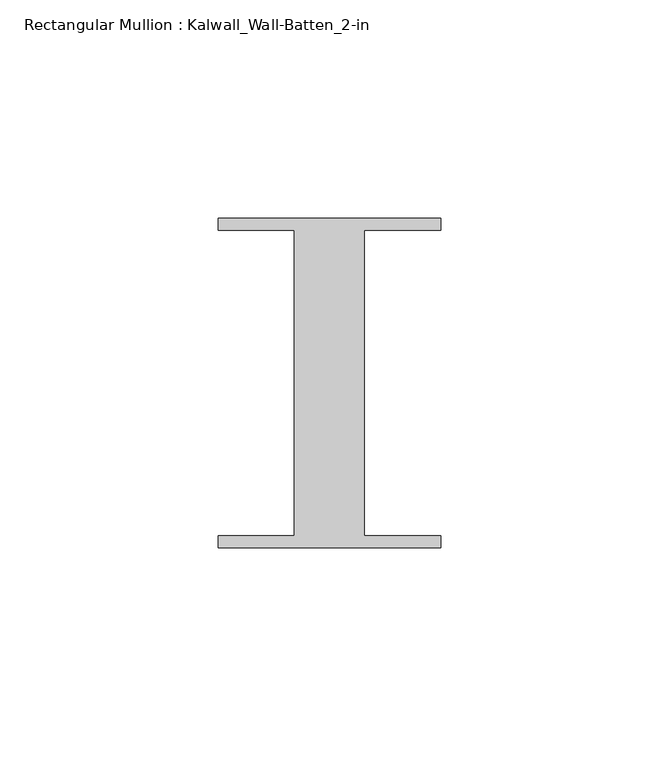
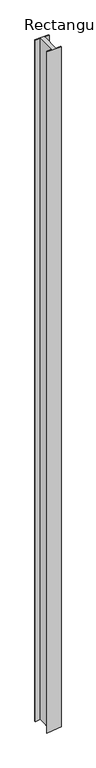
"""IFC4 building model written with IfcOpenShell, lengths in millimetres: member geometry, Rectangular Mullion : Kalwall_Wall-Batten_2-in."""

from ifc_helpers import new_model, si_unit, origin, place, context, project, spatial, faceted_brep, source, transform, mapped, element, save


def rectangular_mullion_kalwall_wall_batten_2_in_3656f9cc(model_context):
    return source(origin(), model_context, "Body", "Brep", [
        faceted_brep([(-25.5, 37.794, 0.0), (-25.5, 35.0, 0.0), (-8.0, 35.0, 0.0), (-8.0, -35.0, 0.0), (-25.5, -35.0, 0.0), (-25.5, -37.794, 0.0), (25.5, -37.794, 0.0), (25.5, -35.0, 0.0), (8.0, -35.0, 0.0), (8.0, 35.0, 0.0), (25.5, 35.0, 0.0), (25.5, 37.794, 0.0), (-25.5, 37.794, -2610.2694721), (-25.5, 35.0, -2610.2694721), (-8.0, 35.0, -2608.2639909), (-8.0, -35.0, -2608.2639909), (-25.5, -35.0, -2610.2694721), (-25.5, -37.794, -2610.2694721), (-5.7837703, -37.794, -2608.0100134), (25.5, -37.794, -2604.424927), (25.5, -35.0, -2604.424927), (8.0, -35.0, -2606.4304082), (8.0, 35.0, -2606.4304082), (25.5, 35.0, -2604.424927), (25.5, 37.794, -2604.424927), (-5.7837703, 37.794, -2608.0100134)], [[[0, 1, 2, 3, 4, 5, 6, 7, 8, 9, 10, 11]], [[1, 0, 12, 13]], [[2, 1, 13, 14]], [[3, 2, 14, 15]], [[4, 3, 15, 16]], [[5, 4, 16, 17]], [[6, 5, 17, 18, 19]], [[7, 6, 19, 20]], [[8, 7, 20, 21]], [[9, 8, 21, 22]], [[10, 9, 22, 23]], [[11, 10, 23, 24]], [[0, 11, 24, 25, 12]], [[12, 25, 18, 17, 16, 15, 14, 13]], [[25, 24, 23, 22, 21, 20, 19, 18]]]),
    ])


if __name__ == "__main__":
    model = new_model("IFC4")
    model_context = context("Model", 3, world=origin())
    ifc_project = project(units=[si_unit("LENGTHUNIT", "METRE", prefix="MILLI")], contexts=[model_context])
    site = spatial("IfcSite", under=ifc_project)
    building = spatial("IfcBuilding", under=site)
    placement = place(None, origin())
    rectangular_mullion_kalwall_wall_batten_2_in_shape = rectangular_mullion_kalwall_wall_batten_2_in_3656f9cc(model_context)
    element("IfcMember", 1, ObjectType="Rectangular Mullion : Kalwall_Wall-Batten_2-in", at=placement, inside=building, context=model_context, shape_type="MappedRepresentation", body=[
        mapped(rectangular_mullion_kalwall_wall_batten_2_in_shape, transform((0.0, 0.0, 0.0), x_axis=(1.0, 0.0, 0.0), y_axis=(0.0, 1.0, 0.0), z_axis=(0.0, 0.0, 1.0))),
    ])
    save(model, "model.ifc")
